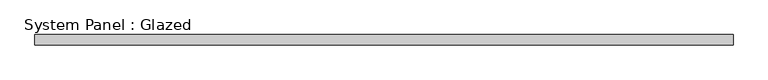
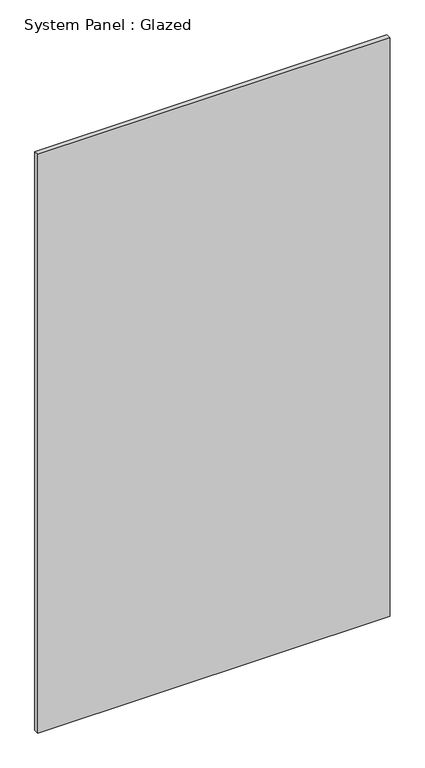
"""IFC4 building model written with IfcOpenShell, lengths in millimetres: plate geometry, System Panel : Glazed."""

from ifc_helpers import new_model, si_unit, origin, origin_with_axes, place, context, project, spatial, polyline, outline, extrude, source, transform, mapped, element, save


def system_panel_glazed_06894145(model_context):
    return source(origin(), model_context, "Body", "SweptSolid", [
        extrude(outline(polyline([(863.7244387, 24.5), (-863.7244387, 24.5), (-863.7244387, 49.5), (863.7244387, 49.5), (863.7244387, 24.5)])), origin_with_axes(), (0.0, 0.0, 1.0), 3000.0),
    ])


if __name__ == "__main__":
    model = new_model("IFC4")
    model_context = context("Model", 3, world=origin())
    ifc_project = project(units=[si_unit("LENGTHUNIT", "METRE", prefix="MILLI")], contexts=[model_context])
    site = spatial("IfcSite", under=ifc_project)
    building = spatial("IfcBuilding", under=site)
    placement = place(None, origin())
    system_panel_glazed_shape = system_panel_glazed_06894145(model_context)
    element("IfcPlate", 1, ObjectType="System Panel : Glazed", at=placement, inside=building, context=model_context, shape_type="MappedRepresentation", body=[
        mapped(system_panel_glazed_shape, transform((0.0, 0.0, 0.0), x_axis=(1.0, 0.0, 0.0), y_axis=(0.0, 1.0, 0.0), z_axis=(0.0, 0.0, 1.0))),
    ])
    save(model, "model.ifc")
